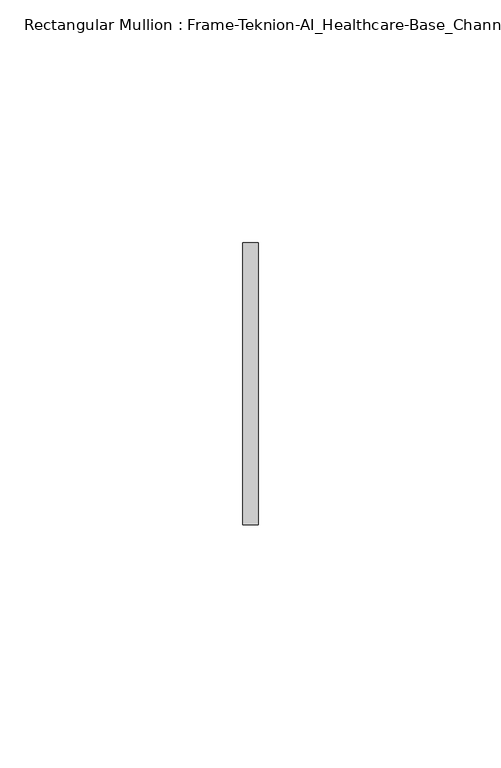
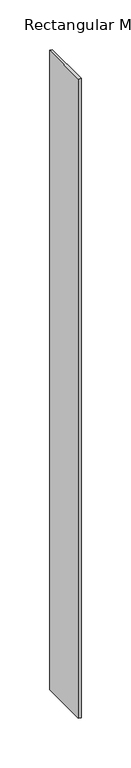
"""IFC4 building model written with IfcOpenShell, lengths in millimetres: member geometry, Rectangular Mullion : Frame-Teknion-AI_Healthcare-Base_Channel."""

from ifc_helpers import new_model, si_unit, frame, origin, place, context, project, spatial, polyline, outline, extrude, source, transform, mapped, element, save


def rectangular_mullion_frame_teknion_ai_healthcare_base_channel_cf6553d9(model_context):
    return source(origin(), model_context, "Body", "SweptSolid", [
        extrude(outline(polyline([(0.0, 29.0214844), (0.0, -29.0214844), (-3.175, -29.0214844), (-3.175, 29.0214844), (0.0, 29.0214844)])), frame((0.0, 0.0, -787.4), z_axis=(0.0, 0.0, 1.0), x_axis=(1.0, 0.0, 0.0)), (0.0, 0.0, 1.0), 787.4),
    ])


if __name__ == "__main__":
    model = new_model("IFC4")
    model_context = context("Model", 3, world=origin())
    ifc_project = project(units=[si_unit("LENGTHUNIT", "METRE", prefix="MILLI")], contexts=[model_context])
    site = spatial("IfcSite", under=ifc_project)
    building = spatial("IfcBuilding", under=site)
    placement = place(None, origin())
    rectangular_mullion_frame_teknion_ai_healthcare_base_channel_shape = rectangular_mullion_frame_teknion_ai_healthcare_base_channel_cf6553d9(model_context)
    element("IfcMember", 1, ObjectType="Rectangular Mullion : Frame-Teknion-AI_Healthcare-Base_Channel", at=placement, inside=building, context=model_context, shape_type="MappedRepresentation", body=[
        mapped(rectangular_mullion_frame_teknion_ai_healthcare_base_channel_shape, transform((0.0, 0.0, 0.0), x_axis=(1.0, 0.0, 0.0), y_axis=(0.0, 1.0, 0.0), z_axis=(0.0, 0.0, 1.0))),
    ])
    save(model, "model.ifc")
